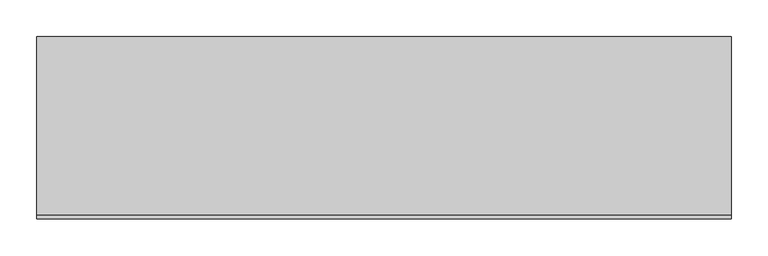
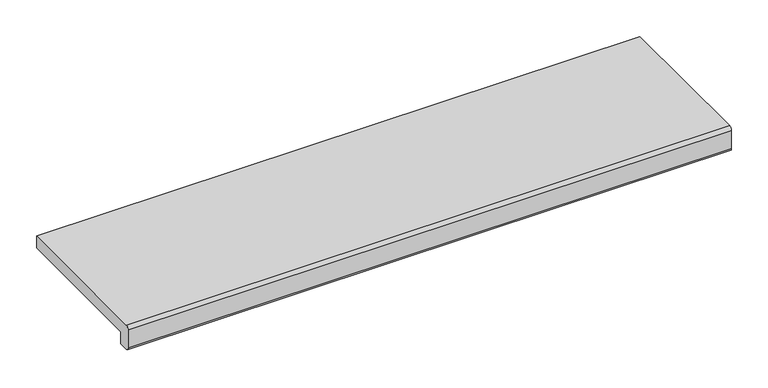
"""IFC4 building model written with IfcOpenShell, lengths in millimetres: proxy geometry."""

from ifc_helpers import new_model, si_unit, point, frame, frame_2d, origin, place, context, project, spatial, polyline, circle_curve, trimmed, segment, composite_curve, outline, extrude, source, transform, mapped, element, save


def generic_models_bb24bdcf(model_context):
    return source(origin(), model_context, "Body", "SweptSolid", [
        extrude(outline(composite_curve([segment(polyline([(-245.0, 30.0), (0.0, 30.0), (0.0, 10.0), (-230.0, 10.0), (-230.0, -10.0), (-245.0, -10.0)]), True, "CONTINUOUS"), segment(trimmed(circle_curve(frame_2d((-245.0, -5.0)), 5.0), [point((-245.0, -10.0))], [point((-250.0, -5.0))], False, "CARTESIAN"), True, "CONTINUOUS"), segment(polyline([(-250.0, -5.0), (-250.0, 25.0)]), True, "CONTINUOUS"), segment(trimmed(circle_curve(frame_2d((-245.0, 25.0)), 5.0), [point((-250.0, 25.0))], [point((-245.0, 30.0))], False, "CARTESIAN"), True, "CONTINUOUS")], self_intersect=False)), frame((-475.0, 0.0, 0.0), z_axis=(1.0, 0.0, 0.0), x_axis=(0.0, 1.0, 0.0)), (0.0, 0.0, 1.0), 950.0),
    ])


if __name__ == "__main__":
    model = new_model("IFC4")
    model_context = context("Model", 3, world=origin())
    ifc_project = project(units=[si_unit("LENGTHUNIT", "METRE", prefix="MILLI")], contexts=[model_context])
    site = spatial("IfcSite", under=ifc_project)
    building = spatial("IfcBuilding", under=site)
    placement = place(None, origin())
    generic_models_shape = generic_models_bb24bdcf(model_context)
    element("IfcBuildingElementProxy", 1, Name="Generic Models", at=placement, inside=building, context=model_context, shape_type="MappedRepresentation", body=[
        mapped(generic_models_shape, transform((0.0, 0.0, 0.0), x_axis=(1.0, 0.0, 0.0), y_axis=(0.0, 1.0, 0.0), z_axis=(0.0, 0.0, 1.0))),
    ])
    save(model, "model.ifc")
